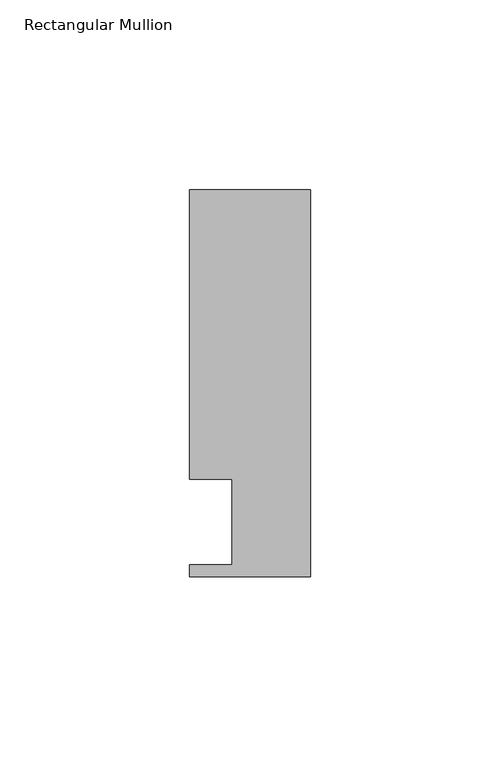
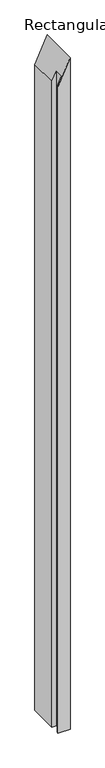
"""IFC4 building model written with IfcOpenShell, lengths in millimetres: member geometry, Rectangular Mullion."""

from ifc_helpers import new_model, si_unit, origin, place, context, project, spatial, faceted_brep, source, transform, mapped, element, save


def rectangular_mullion_e673f8a4(model_context):
    return source(origin(), model_context, "Body", "Brep", [
        faceted_brep([(-31.7484832, 12.6444375, -1828.8), (-31.7484832, 15.8194375, -1828.8), (-20.6375, 15.8194375, -1828.8), (-20.6375, 38.2984375, -1828.8), (-31.7484832, 38.2984375, -1828.8), (-31.7484832, 114.4984375, -1828.8), (0.0, 114.4984375, -1828.8), (0.0, 12.6444375, -1828.8), (0.0, 12.6444375, 0.0), (-31.7484832, 12.6444375, -69.4942884), (0.0, 114.4984375, 0.0), (-31.7484832, 114.4984375, -69.4942884), (-31.7484832, 38.2984375, -69.4942884), (-20.6375, 38.2984375, -45.1734456), (-20.6375, 15.8194375, -45.1734456), (-31.7484832, 15.8194375, -69.4942884)], [[[0, 1, 2, 3, 4, 5, 6, 7]], [[8, 9, 0, 7]], [[10, 8, 7, 6]], [[11, 10, 6, 5]], [[12, 11, 5, 4]], [[13, 12, 4, 3]], [[14, 13, 3, 2]], [[15, 14, 2, 1]], [[9, 15, 1, 0]], [[9, 8, 10, 11, 12, 13, 14, 15]]]),
    ])


if __name__ == "__main__":
    model = new_model("IFC4")
    model_context = context("Model", 3, world=origin())
    ifc_project = project(units=[si_unit("LENGTHUNIT", "METRE", prefix="MILLI")], contexts=[model_context])
    site = spatial("IfcSite", under=ifc_project)
    building = spatial("IfcBuilding", under=site)
    placement = place(None, origin())
    rectangular_mullion_shape = rectangular_mullion_e673f8a4(model_context)
    element("IfcMember", 1, ObjectType="Rectangular Mullion", at=placement, inside=building, context=model_context, shape_type="MappedRepresentation", body=[
        mapped(rectangular_mullion_shape, transform((0.0, 0.0, 0.0), x_axis=(1.0, 0.0, 0.0), y_axis=(0.0, 1.0, 0.0), z_axis=(0.0, 0.0, 1.0))),
    ])
    save(model, "model.ifc")
